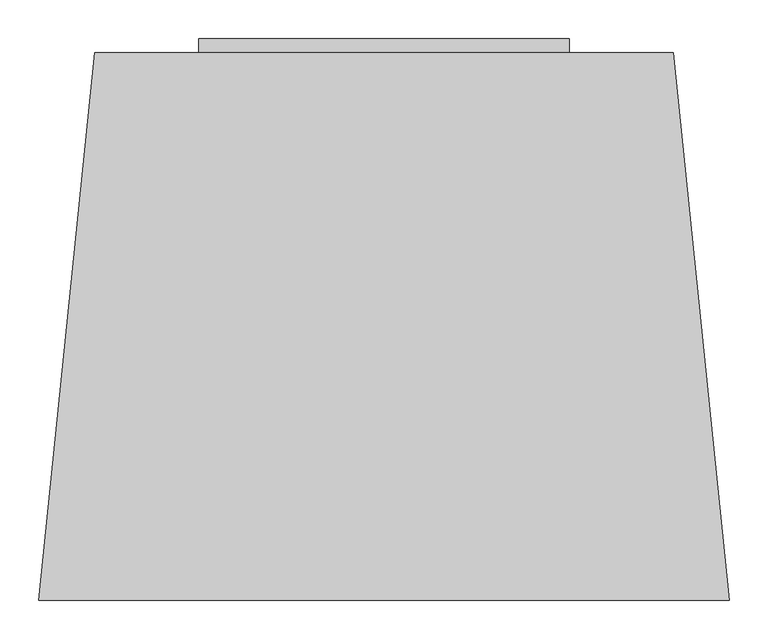
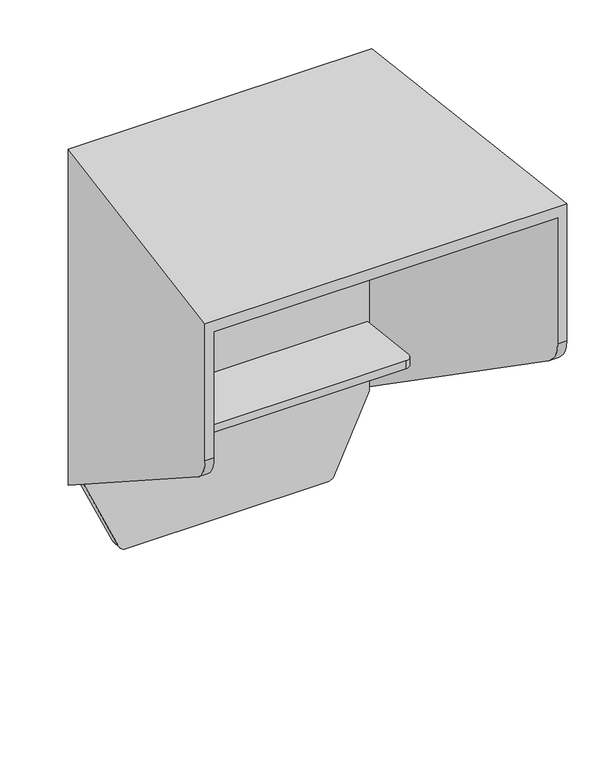
"""IFC4 building model written with IfcOpenShell, lengths in millimetres: furniture geometry."""

from ifc_helpers import new_model, si_unit, point, frame, frame_2d, origin, place, context, project, spatial, polyline, circle_curve, ellipse_curve, trimmed, segment, composite_curve, outline, extrude, source, transform, mapped, element, save
from ifc_brep_helpers import plane_surface, cylinder_surface, advanced_brep


def furniture_1b15defb(model_context):
    return source(origin(), model_context, "Body", "SolidModel", [
        extrude(outline(composite_curve([segment(polyline([(1196.2520627, -225.1627467), (1010.7755343, -141.9604968)]), True, "CONTINUOUS"), segment(trimmed(circle_curve(frame_2d((1018.2926056, -125.2032543)), 18.3660431), [point((1010.7755343, -141.9604968))], [point((999.9265625, -125.2032543))], False, "CARTESIAN"), True, "CONTINUOUS"), segment(polyline([(999.9265625, -125.2032543), (999.9265625, 374.4783123)]), True, "CONTINUOUS"), segment(trimmed(circle_curve(frame_2d((1018.2820312, 374.4783123)), 18.3554688), [point((999.9265625, 374.4783123))], [point((1010.7054031, 391.1971024))], False, "CARTESIAN"), True, "CONTINUOUS"), segment(polyline([(1010.7054031, 391.1971024), (1195.9359164, 475.1399425)]), True, "CONTINUOUS"), segment(trimmed(circle_curve(frame_2d((1203.7173183, 457.9692933)), 18.8515625), [point((1195.9359164, 475.1399425))], [point((1203.7172845, 476.8208558))], False, "CARTESIAN"), True, "CONTINUOUS"), segment(polyline([(1203.7172845, 476.8208558), (2040.9999033, 476.8223546), (2040.9999033, -226.8291567), (1203.9675135, -226.814077)]), True, "CONTINUOUS"), segment(trimmed(circle_curve(frame_2d((1203.9678531, -207.9625145)), 18.8515625), [point((1203.9675135, -226.814077))], [point((1196.2520627, -225.1627467))], False, "CARTESIAN"), True, "CONTINUOUS")], self_intersect=False)), frame((0.0, -122.0084511, 0.0), z_axis=(0.0, 1.0, 0.0), x_axis=(0.0, 0.0, 1.0)), (0.0, 0.0, 1.0), 29.0060977),
        advanced_brep(
        [(572.3771994, -802.9125096, 2070.0007812), (499.8868824, -93.0023534, 2070.0007812), (-249.7337487, -93.0023534, 2070.0007812), (-322.2246246, -802.9125096, 2070.0007812), (476.8216093, -93.0023534, 1191.7094635), (546.6051375, -769.3611561, 1648.8362137), (550.0668088, -802.9125096, 1712.0080734), (550.0668088, -802.9125096, 2040.9999033), (476.8216093, -93.0023534, 2040.9999033), (-322.2246246, -802.9125096, 1712.0080734), (-300.0668088, -802.9125096, 1712.0080734), (-300.0668088, -802.9125096, 2040.9999033), (572.3771994, -802.9125096, 1712.0080734), (568.9512049, -769.3611561, 1648.8362137), (499.8868824, -93.0023534, 1191.7094635), (-226.8216093, -93.0023534, 2040.9999033), (-226.8216093, -93.0023534, 1191.7094635), (-249.7337487, -93.0023534, 1191.7094635), (-296.6051375, -769.3611561, 1648.8362137), (-318.7986038, -769.3611561, 1648.8362137)],
        [
            (0, 1),
            (1, 2),
            (2, 3),
            (3, 0),
            (4, 5),
            (5, 6, ellipse_curve(frame((542.2000055, -726.6655531, 1712.0080734), z_axis=(-0.9947195490172969, -0.10263049645610012, 0.0), x_axis=(-0.10263049645609973, 0.994719549017297, 0.0)), 76.6517122, 76.2469566)),
            (6, 7),
            (7, 8),
            (8, 4),
            (3, 9),
            (9, 10),
            (10, 11),
            (11, 7),
            (6, 12),
            (12, 0),
            (12, 13, ellipse_curve(frame((564.5914732, -726.6655531, 1712.0080734), z_axis=(0.9948269925511616, 0.10158373340063472, 0.0), x_axis=(-0.10158373340063367, 0.9948269925511617, 0.0)), 76.6434336, 76.2469566)),
            (13, 14),
            (14, 1),
            (14, 4),
            (8, 15),
            (15, 16),
            (16, 17),
            (17, 2),
            (18, 16),
            (15, 11),
            (10, 18, ellipse_curve(frame((-292.2000055, -726.6655531, 1712.0080734), z_axis=(0.9947195490172974, -0.10263049645609514, 0.0), x_axis=(-0.10263049645609379, -0.9947195490172973, 0.0)), 76.6517122, 76.2469566)),
            (17, 19),
            (19, 9, ellipse_curve(frame((-314.4388385, -726.6655531, 1712.0080734), z_axis=(-0.9948269133965385, 0.10158450857249933, 0.0), x_axis=(-0.10158450857249769, -0.9948269133965385, 0.0)), 76.6434397, 76.2469566)),
            (13, 5),
            (18, 19),
        ],
        [
            plane_surface(frame((550.0668088, -802.9125096, 2070.0007812), z_axis=(0.0, 0.0, 1.0), x_axis=(0.10263049645610012, -0.9947195490172969, 0.0))),
            plane_surface(frame((476.8216093, -93.0023534, 2070.0007812), z_axis=(-0.9947195490172969, -0.10263049645610012, 0.0), x_axis=(0.0, 0.0, -1.0))),
            plane_surface(frame((550.0668088, -802.9125096, 2070.0007812), z_axis=(0.0, -1.0, 0.0), x_axis=(0.0, 0.0, -1.0))),
            plane_surface(frame((572.3771994, -802.9125096, 2070.0007812), z_axis=(0.9948269925511616, 0.10158373340063472, 0.0), x_axis=(0.0, 0.0, -1.0))),
            plane_surface(frame((499.8868824, -93.0023534, 2070.0007812), z_axis=(0.0, 1.0, 0.0), x_axis=(0.0, 0.0, -1.0))),
            plane_surface(frame((-300.0668088, -802.9125096, 2070.0007812), z_axis=(0.9947195490172974, -0.10263049645609514, 0.0), x_axis=(0.0, 0.0, -1.0))),
            plane_surface(frame((-249.7337487, -93.0023534, 2070.0007812), z_axis=(-0.9948269133965385, 0.10158450857249933, 0.0), x_axis=(0.0, 0.0, -1.0))),
            plane_surface(frame((-300.0668088, -802.9125096, 2040.9999033), z_axis=(0.0, 0.0, -1.0000000000000002), x_axis=(0.10263049645609519, 0.9947195490172974, 0.0))),
            plane_surface(frame((640.927666, -75.0, 1179.542316), z_axis=(0.0, -0.5599646853681015, -0.8285164760827651), x_axis=(-1.0, 0.0, 0.0))),
            cylinder_surface(frame((-389.0371502, -726.6655531, 1712.0080734), z_axis=(-1.0, 0.0, 0.0), x_axis=(0.0, 1.0, 0.0)), 76.2469566),
        ],
        [
            (0, [[1, 2, 3, 4]]),
            (1, [[5, 6, 7, 8, 9]]),
            (2, [[-4, 10, 11, 12, 13, -7, 14, 15]]),
            (3, [[-1, -15, 16, 17, 18]]),
            (4, [[-2, -18, 19, -9, 20, 21, 22, 23]]),
            (5, [[24, -21, 25, -12, 26]]),
            (6, [[-3, -23, 27, 28, -10]]),
            (7, [[-20, -8, -13, -25]]),
            (8, [[29, -5, -19, -17]]),
            (8, [[30, -27, -22, -24]]),
            (9, [[-29, -16, -14, -6]]),
            (9, [[-30, -26, -11, -28]]),
        ],
    ),
        extrude(outline(composite_curve([segment(trimmed(circle_curve(frame_2d((-218.0752717, -269.3488185)), 21.9254477), [point((-218.0752717, -291.2742661))], [point((-239.8861258, -267.110092))], False, "CARTESIAN"), True, "CONTINUOUS"), segment(polyline([(-239.8861258, -267.110092), (-224.9924914, -122.0084511), (471.8021222, -122.0084511), (486.9849599, -272.4256251)]), True, "CONTINUOUS"), segment(trimmed(circle_curve(frame_2d((469.9430901, -274.1458006)), 17.1284655), [point((486.9849599, -272.4256251))], [point((469.9430901, -291.2742661))], False, "CARTESIAN"), True, "CONTINUOUS"), segment(polyline([(469.9430901, -291.2742661), (-218.0752717, -291.2742661)]), True, "CONTINUOUS")], self_intersect=False)), frame((0.0, 0.0, 1364.9999955), z_axis=(0.0, 0.0, 1.0), x_axis=(1.0, 0.0, 0.0)), (0.0, 0.0, 1.0), 19.9999784),
        extrude(outline(polyline([(365.0000127, -93.0023534), (-115.0000127, -93.0023534), (-115.0000127, -75.0), (365.0000127, -75.0), (365.0000127, -93.0023534)])), frame((0.0, 0.0, 1782.0000874), z_axis=(0.0, 0.0, 1.0), x_axis=(1.0, 0.0, 0.0)), (0.0, 0.0, 1.0), 75.9999395),
        extrude(outline(polyline([(365.0000127, -93.0023534), (-115.0000127, -93.0023534), (-115.0000127, -75.0), (365.0000127, -75.0), (365.0000127, -93.0023534)])), frame((0.0, 0.0, 1311.9999602), z_axis=(0.0, 0.0, 1.0), x_axis=(1.0, 0.0, 0.0)), (0.0, 0.0, 1.0), 76.0000122),
    ])


if __name__ == "__main__":
    model = new_model("IFC4")
    model_context = context("Model", 3, world=origin())
    ifc_project = project(units=[si_unit("LENGTHUNIT", "METRE", prefix="MILLI")], contexts=[model_context])
    site = spatial("IfcSite", under=ifc_project)
    building = spatial("IfcBuilding", under=site)
    placement = place(None, origin())
    furniture_shape = furniture_1b15defb(model_context)
    element("IfcFurniture", 1, at=placement, inside=building, context=model_context, shape_type="MappedRepresentation", body=[
        mapped(furniture_shape, transform((0.0, 0.0, 0.0), x_axis=(1.0, 0.0, 0.0), y_axis=(0.0, 1.0, 0.0), z_axis=(0.0, 0.0, 1.0))),
    ])
    save(model, "model.ifc")
